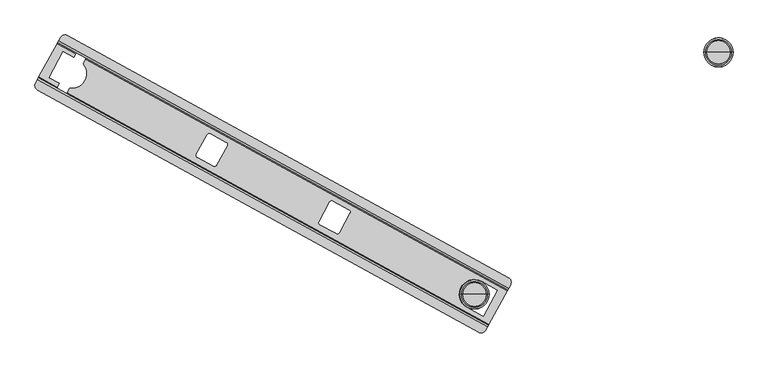
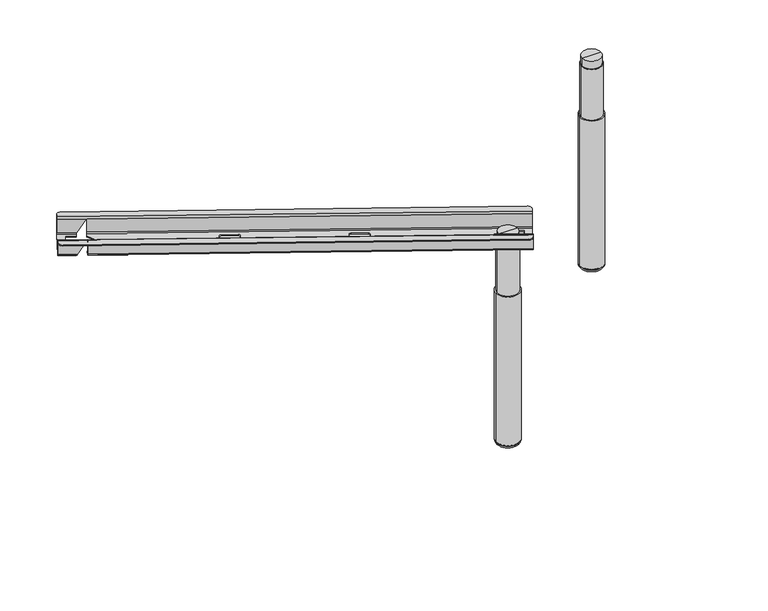
"""IFC4 building model written with IfcOpenShell, lengths in millimetres: furniture geometry."""

from ifc_helpers import new_model, si_unit, point, frame, origin, place, context, project, spatial, polyline, circle_curve, ellipse_curve, trimmed, source, transform, mapped, element, save
from ifc_brep_helpers import plane_surface, cylinder_surface, revolved_surface, advanced_brep


def furniture_7724859d(model_context):
    return source(origin(), model_context, "Body", "AdvancedBrep", [
        advanced_brep(
        [(96.5723967, -73.2350936, 695.6719265), (92.2647584, -81.0778887, 695.6719265), (91.2865282, -82.8589248, 693.6399265), (91.2865282, -82.8589248, 651.2602168), (88.596395, -87.7567741, 645.6722168), (44.2070674, -168.5751656, 645.6722168), (41.5169342, -173.4730148, 651.2602168), (41.5169342, -173.4730148, 693.6399265), (40.538704, -175.2540509, 695.6719265), (36.2310086, -183.0969499, 695.6719265), (36.2310086, -183.0969499, 698.6714043), (40.538704, -175.2540509, 698.6714043), (42.9556248, -170.8536317, 693.6399265), (42.9556248, -170.8536317, 651.2602168), (44.2070674, -168.5751656, 648.6513268), (88.596395, -87.7567741, 648.6513268), (89.8478376, -85.478308, 651.2602168), (89.8478376, -85.478308, 693.6399265), (92.2647584, -81.0778887, 698.6714043), (96.5723967, -73.2350936, 698.6714043), (1183.5381038, -680.4574253, 695.6719265), (1187.8457421, -672.6146302, 695.6719265), (1187.8457421, -672.6146302, 698.6714043), (1183.5381038, -680.4574253, 698.6714043), (1181.121183, -684.8578446, 693.6399265), (1181.121183, -684.8578446, 651.2602168), (1179.8697404, -687.1363107, 648.6513268), (1135.4804128, -767.9547022, 648.6513268), (1134.2289702, -770.2331683, 651.2602168), (1134.2289702, -770.2331683, 693.6399265), (1131.8120494, -774.6335875, 698.6714043), (1127.504354, -782.4764865, 698.6714043), (1127.504354, -782.4764865, 695.6719265), (1131.8120494, -774.6335875, 695.6719265), (1132.7902796, -772.8525514, 693.6399265), (1132.7902796, -772.8525514, 651.2602168), (1135.4804128, -767.9547022, 645.6722168), (1179.8697404, -687.1363107, 645.6722168), (1182.5598736, -682.2384614, 651.2602168), (1182.5598736, -682.2384614, 693.6399265), (1110.2589393, -787.4940231, 695.6719265), (41.2485452, -200.3423646, 695.6719265), (108.8129118, -212.7535127, 695.6719265), (106.7502022, -216.5090293, 695.6719265), (107.477067, -216.9082582, 695.6719265), (109.5397766, -213.1527416, 695.6719265), (113.8178115, -68.2175571, 695.6719265), (1182.8282057, -655.3692157, 695.6719265), (161.2658347, -118.9765814, 695.6719265), (163.3284872, -115.2211686, 695.6719265), (162.6016224, -114.8219397, 695.6719265), (160.5389699, -118.5773524, 695.6719265), (1110.2589393, -787.4940231, 698.6714043), (41.2485452, -200.3423646, 698.6714043), (1182.8282057, -655.3692157, 698.6714043), (113.8178115, -68.2175571, 698.6714043), (157.082876, -122.4070081, 693.6399265), (159.5095, -122.1742898, 697.0932388), (158.8489137, -123.3770005, 693.6399265), (158.8489137, -123.3770005, 651.2602168), (135.4097233, -110.5030756, 651.2602168), (157.597471, -125.6554666, 648.6513268), (133.3537484, -112.3396541, 648.6513268), (134.7557258, -110.4004757, 650.1931133), (151.6982602, -136.3959916, 648.6513268), (119.1072539, -195.7335083, 648.6513268), (113.2081403, -206.4738564, 648.6513268), (1117.2262157, -664.0752616, 648.6513268), (1156.1863795, -685.4740497, 648.6513268), (1121.3717691, -748.860019, 648.6513268), (1082.4116053, -727.4612309, 648.6513268), (474.6089476, -382.8094257, 648.6513268), (467.7107816, -384.8164401, 648.6513268), (428.4570156, -363.2563916, 648.6513268), (426.4500012, -356.3582256, 648.6513268), (452.7595604, -308.4571608, 648.6513268), (459.6577263, -306.4501464, 648.6513268), (498.9114924, -328.0101949, 648.6513268), (500.9185068, -334.9083608, 648.6513268), (771.9412607, -546.1185737, 648.6513268), (765.0430948, -548.125588, 648.6513268), (725.7893287, -526.5655395, 648.6513268), (723.7823143, -519.6673736, 648.6513268), (750.0918735, -471.7663087, 648.6513268), (756.9900395, -469.7592943, 648.6513268), (796.2438055, -491.3193428, 648.6513268), (798.2508199, -498.2175088, 648.6513268), (88.9644177, -193.1580439, 648.6513268), (93.7517293, -184.4419222, 648.6513268), (67.8903323, -170.2376069, 648.6513268), (102.7049379, -106.8516349, 648.6513268), (128.5663397, -121.0559529, 648.6513268), (111.9566976, -208.7523224, 651.2602168), (88.5175072, -195.8783976, 651.2602168), (88.0800628, -195.3815254, 650.1931133), (111.9566976, -208.7523224, 693.6399265), (110.1906599, -207.78233, 693.6399265), (111.2961113, -209.9550331, 697.0932388), (110.518007, -211.3717055, 693.6399265), (108.7519692, -210.4017131, 693.6399265), (110.518007, -211.3717055, 651.2602168), (87.0788166, -198.4977807, 651.2602168), (113.2081403, -206.4738564, 645.6722168), (88.4643309, -192.8833723, 645.6722168), (86.5826017, -198.1079103, 650.1931133), (119.1072539, -195.7335083, 645.6722168), (151.6982602, -136.3959916, 645.6722168), (157.597471, -125.6554666, 645.6722168), (1082.4116053, -727.4612309, 645.6722168), (1121.3717691, -748.860019, 645.6722168), (1156.1863795, -685.4740497, 645.6722168), (1117.2262157, -664.0752616, 645.6722168), (500.9185068, -334.9083608, 645.6722168), (498.9114924, -328.0101949, 645.6722168), (459.6577263, -306.4501464, 645.6722168), (452.7595604, -308.4571608, 645.6722168), (426.4500012, -356.3582256, 645.6722168), (428.4570156, -363.2563916, 645.6722168), (467.7107816, -384.8164401, 645.6722168), (474.6089476, -382.8094257, 645.6722168), (798.2508199, -498.2175088, 645.6722168), (796.2438055, -491.3193428, 645.6722168), (756.9900395, -469.7592943, 645.6722168), (750.0918735, -471.7663087, 645.6722168), (723.7823143, -519.6673736, 645.6722168), (725.7893287, -526.5655395, 645.6722168), (765.0430948, -548.125588, 645.6722168), (771.9412607, -546.1185737, 645.6722168), (132.8536616, -112.0649825, 645.6722168), (128.0662528, -120.7812813, 645.6722168), (102.7049379, -106.8516349, 645.6722168), (67.8903323, -170.2376069, 645.6722168), (93.2516424, -184.1672506, 645.6722168), (160.2876044, -120.7576174, 651.2602168), (136.848414, -107.8836925, 651.2602168), (136.2531869, -107.6740908, 650.1931133), (160.2876044, -120.7576174, 693.6399265), (158.5215667, -119.787625, 693.6399265), (107.477067, -216.9082582, 697.0932388), (163.3284872, -115.2211686, 697.0932388)],
        [
            (0, 1),
            (1, 2, circle_curve(frame((92.2647584, -81.0778887, 693.6399265), z_axis=(0.8764941434631136, -0.48141252214173136, 0.0), x_axis=(0.48141252214173136, 0.8764941434631136, 0.0)), 2.032)),
            (2, 3),
            (3, 4, circle_curve(frame((88.596395, -87.7567741, 651.2602168), z_axis=(-0.8764941434631136, 0.48141252214173136, 0.0), x_axis=(0.48141252214173136, 0.8764941434631136, 0.0)), 5.588)),
            (4, 5),
            (5, 6, circle_curve(frame((44.2070674, -168.5751656, 651.2602168), z_axis=(-0.8764941434631136, 0.48141252214173136, 0.0), x_axis=(0.48141252214173136, 0.8764941434631136, 0.0)), 5.588)),
            (6, 7),
            (7, 8, circle_curve(frame((40.538704, -175.2540509, 693.6399265), z_axis=(0.8764941434631136, -0.48141252214173136, 0.0), x_axis=(0.48141252214173136, 0.8764941434631136, 0.0)), 2.032)),
            (8, 9),
            (9, 10),
            (10, 11),
            (11, 12, circle_curve(frame((40.5334026, -175.263703, 693.6399265), z_axis=(-0.8764941434631136, 0.48141252214173136, 0.0), x_axis=(0.48141252214173136, 0.8764941434631136, 0.0)), 5.0314898)),
            (12, 13),
            (13, 14, circle_curve(frame((44.2070674, -168.5751656, 651.250866), z_axis=(0.8764941434631136, -0.48141252214173136, 0.0), x_axis=(0.48141252214173136, 0.8764941434631136, 0.0)), 2.5995392)),
            (14, 15),
            (15, 16, circle_curve(frame((88.596395, -87.7567741, 651.250866), z_axis=(0.8764941434631136, -0.48141252214173136, 0.0), x_axis=(0.48141252214173136, 0.8764941434631136, 0.0)), 2.5995392)),
            (16, 17),
            (17, 18, circle_curve(frame((92.2700598, -81.0682366, 693.6399265), z_axis=(-0.8764941434631136, 0.48141252214173136, 0.0), x_axis=(0.48141252214173136, 0.8764941434631136, 0.0)), 5.0314898)),
            (18, 19),
            (19, 0),
            (20, 21),
            (21, 22),
            (22, 23),
            (23, 24, circle_curve(frame((1183.5434052, -680.4477732, 693.6399265), z_axis=(0.8764941434631136, -0.48141252214173136, 0.0), x_axis=(0.48141252214173136, 0.8764941434631136, 0.0)), 5.0314898)),
            (24, 25),
            (25, 26, circle_curve(frame((1179.8697404, -687.1363107, 651.250866), z_axis=(-0.8764941434631136, 0.48141252214173136, 0.0), x_axis=(0.48141252214173136, 0.8764941434631136, 0.0)), 2.5995392)),
            (26, 27),
            (27, 28, circle_curve(frame((1135.4804128, -767.9547022, 651.250866), z_axis=(-0.8764941434631136, 0.48141252214173136, 0.0), x_axis=(0.48141252214173136, 0.8764941434631136, 0.0)), 2.5995392)),
            (28, 29),
            (29, 30, circle_curve(frame((1131.806748, -774.6432396, 693.6399265), z_axis=(0.8764941434631136, -0.48141252214173136, 0.0), x_axis=(0.48141252214173136, 0.8764941434631136, 0.0)), 5.0314898)),
            (30, 31),
            (31, 32),
            (32, 33),
            (33, 34, circle_curve(frame((1131.8120494, -774.6335875, 693.6399265), z_axis=(-0.8764941434631136, 0.48141252214173136, 0.0), x_axis=(0.48141252214173136, 0.8764941434631136, 0.0)), 2.032)),
            (34, 35),
            (35, 36, circle_curve(frame((1135.4804128, -767.9547022, 651.2602168), z_axis=(0.8764941434631136, -0.48141252214173136, 0.0), x_axis=(0.48141252214173136, 0.8764941434631136, 0.0)), 5.588)),
            (36, 37),
            (37, 38, circle_curve(frame((1179.8697404, -687.1363107, 651.2602168), z_axis=(0.8764941434631136, -0.48141252214173136, 0.0), x_axis=(0.48141252214173136, 0.8764941434631136, 0.0)), 5.588)),
            (38, 39),
            (39, 20, circle_curve(frame((1183.5381038, -680.4574253, 693.6399265), z_axis=(-0.8764941434631136, 0.48141252214173136, 0.0), x_axis=(0.48141252214173136, 0.8764941434631136, 0.0)), 2.032)),
            (40, 41),
            (41, 9, circle_curve(frame((47.3624842, -189.2108889, 695.6719265), z_axis=(0.0, 0.0, -1.0), x_axis=(1.0, 0.0, 0.0)), 12.7)),
            (8, 42),
            (42, 43),
            (43, 44),
            (44, 45),
            (45, 33),
            (32, 40, circle_curve(frame((1116.3728783, -776.3625475, 695.6719265), z_axis=(0.0, 0.0, -1.0), x_axis=(1.0, 0.0, 0.0)), 12.7)),
            (0, 46, circle_curve(frame((107.7038725, -79.3490327, 695.6719265), z_axis=(0.0, 0.0, -1.0), x_axis=(1.0, 0.0, 0.0)), 12.7)),
            (46, 47),
            (47, 21, circle_curve(frame((1176.7142666, -666.5006913, 695.6719265), z_axis=(0.0, 0.0, -1.0), x_axis=(1.0, 0.0, 0.0)), 12.7)),
            (20, 48),
            (48, 49),
            (49, 50),
            (50, 51),
            (51, 1),
            (52, 31, circle_curve(frame((1116.3728783, -776.3625475, 698.6714043), z_axis=(0.0, 0.0, 1.0), x_axis=(1.0, 0.0, 0.0)), 12.7)),
            (30, 11),
            (10, 53, circle_curve(frame((47.3624842, -189.2108889, 698.6714043), z_axis=(0.0, 0.0, 1.0), x_axis=(1.0, 0.0, 0.0)), 12.7)),
            (53, 52),
            (18, 23),
            (22, 54, circle_curve(frame((1176.7142666, -666.5006913, 698.6714043), z_axis=(0.0, 0.0, 1.0), x_axis=(1.0, 0.0, 0.0)), 12.7)),
            (54, 55),
            (55, 19, circle_curve(frame((107.7038725, -79.3490327, 698.6714043), z_axis=(0.0, 0.0, 1.0), x_axis=(1.0, 0.0, 0.0)), 12.7)),
            (17, 56),
            (56, 57, ellipse_curve(frame((159.5050984, -117.9969368, 693.6399265), z_axis=(-0.75705361876778, 0.4158101086233365, 0.5039561209840178), x_axis=(-0.4417146158276256, 0.24261073768799962, -0.8637292562619017)), 5.825309, 5.0314898)),
            (57, 58, circle_curve(frame((161.271136, -118.9669292, 693.6399265), z_axis=(0.8764941434631136, -0.48141252214173136, 0.0), x_axis=(0.48141252214173136, 0.8764941434631136, 0.0)), 5.0314898)),
            (58, 24),
            (58, 59),
            (59, 25),
            (16, 60),
            (60, 56),
            (59, 61, circle_curve(frame((157.5974711, -125.6554666, 651.250866), z_axis=(-0.8764941434631136, 0.48141252214173136, 0.0), x_axis=(0.48141252214173136, 0.8764941434631136, 0.0)), 2.5995392)),
            (61, 26),
            (15, 62),
            (62, 63, ellipse_curve(frame((133.7901188, -112.5793296, 651.250866), z_axis=(0.8608486845247368, -0.47281933029143225, -0.18809950360059896), x_axis=(0.16486820759981685, -0.09055328474249279, 0.9821499767068004)), 2.6467843, 2.5995392)),
            (63, 60, ellipse_curve(frame((134.1534986, -112.7789152, 651.250866), z_axis=(0.75705361876778, -0.4158101086233365, -0.5039561209840178), x_axis=(0.4417146158276256, -0.24261073768799962, 0.8637292562619017)), 3.009669, 2.5995392)),
            (61, 64),
            (64, 65, circle_curve(frame((124.2578006, -159.943406, 648.6513268), z_axis=(0.0, 0.0, -1.0), x_axis=(-0.5364839670502666, 0.8439105124940727, 0.0)), 36.1588101)),
            (65, 66),
            (66, 27),
            (67, 68),
            (68, 69),
            (69, 70),
            (70, 67, circle_curve(frame((1099.8189105, -695.7682463, 648.6513268), z_axis=(0.0, 0.0, -1.0), x_axis=(1.0, 0.0, 0.0)), 36.1588101)),
            (71, 72, circle_curve(frame((470.1563574, -380.3638499, 648.6513268), z_axis=(0.0, 0.0, -1.0), x_axis=(1.0, 0.0, 0.0)), 5.08)),
            (72, 73),
            (73, 74, circle_curve(frame((430.9025913, -358.8038014, 648.6513268), z_axis=(0.0, 0.0, -1.0), x_axis=(1.0, 0.0, 0.0)), 5.08)),
            (74, 75),
            (75, 76, circle_curve(frame((457.2121505, -310.9027365, 648.6513268), z_axis=(0.0, 0.0, -1.0), x_axis=(1.0, 0.0, 0.0)), 5.08)),
            (76, 77),
            (77, 78, circle_curve(frame((496.4659166, -332.4627851, 648.6513268), z_axis=(0.0, 0.0, -1.0), x_axis=(1.0, 0.0, 0.0)), 5.08)),
            (78, 71),
            (79, 80, circle_curve(frame((767.4886706, -543.6729979, 648.6513268), z_axis=(0.0, 0.0, -1.0), x_axis=(1.0, 0.0, 0.0)), 5.08)),
            (80, 81),
            (81, 82, circle_curve(frame((728.2349045, -522.1129494, 648.6513268), z_axis=(0.0, 0.0, -1.0), x_axis=(1.0, 0.0, 0.0)), 5.08)),
            (82, 83),
            (83, 84, circle_curve(frame((754.5444637, -474.2118845, 648.6513268), z_axis=(0.0, 0.0, -1.0), x_axis=(1.0, 0.0, 0.0)), 5.08)),
            (84, 85),
            (85, 86, circle_curve(frame((793.7982298, -495.771933, 648.6513268), z_axis=(0.0, 0.0, -1.0), x_axis=(1.0, 0.0, 0.0)), 5.08)),
            (86, 79),
            (14, 87),
            (87, 88),
            (88, 89),
            (89, 90),
            (90, 91),
            (91, 62),
            (66, 92, circle_curve(frame((113.2081403, -206.4738564, 651.250866), z_axis=(-0.8764941434631136, 0.48141252214173136, 0.0), x_axis=(0.48141252214173136, 0.8764941434631136, 0.0)), 2.5995392)),
            (92, 28),
            (13, 93),
            (93, 94, ellipse_curve(frame((89.7641679, -193.597305, 651.250866), z_axis=(0.75705361876778, -0.4158101086233365, -0.5039561209840178), x_axis=(0.4417146158276256, -0.24261073768799962, 0.8637292562619017)), 3.009669, 2.5995392)),
            (94, 87, ellipse_curve(frame((89.4007881, -193.3977194, 651.250866), z_axis=(0.8608486845247368, -0.47281933029143225, -0.18809950360059896), x_axis=(0.16486820759981685, -0.09055328474249279, 0.9821499767068004)), 2.6467843, 2.5995392)),
            (92, 95),
            (95, 29),
            (12, 96),
            (96, 93),
            (95, 97, circle_curve(frame((109.5344754, -213.1623938, 693.6399265), z_axis=(0.8764941434631136, -0.48141252214173136, 0.0), x_axis=(0.48141252214173136, 0.8764941434631136, 0.0)), 5.0314898)),
            (97, 96, ellipse_curve(frame((107.7684375, -212.1924013, 693.6399265), z_axis=(-0.75705361876778, 0.4158101086233365, 0.5039561209840178), x_axis=(-0.4417146158276256, 0.24261073768799962, -0.8637292562619017)), 5.825309, 5.0314898)),
            (45, 98, circle_curve(frame((109.5397766, -213.1527416, 693.6399265), z_axis=(-0.8764941434631136, 0.48141252214173136, 0.0), x_axis=(0.48141252214173136, 0.8764941434631136, 0.0)), 2.032)),
            (98, 34),
            (7, 99),
            (99, 42, ellipse_curve(frame((107.7737389, -212.1827492, 693.6399265), z_axis=(0.75705361876778, -0.4158101086233365, -0.5039561209840178), x_axis=(0.4417146158276256, -0.24261073768799962, 0.8637292562619017)), 2.3525891, 2.032)),
            (98, 100),
            (100, 35),
            (6, 101),
            (101, 99),
            (100, 102, circle_curve(frame((113.2081401, -206.4738563, 651.2602168), z_axis=(0.8764941434631136, -0.48141252214173136, 0.0), x_axis=(0.48141252214173136, 0.8764941434631136, 0.0)), 5.588)),
            (102, 36),
            (5, 103),
            (103, 104, ellipse_curve(frame((89.4023577, -193.3985815, 651.2602168), z_axis=(-0.8608486845247368, 0.47281933029143225, 0.18809950360059896), x_axis=(-0.16486820759981685, 0.09055328474249279, -0.9821499767068004)), 5.6895588, 5.588)),
            (104, 101, ellipse_curve(frame((89.7689499, -193.5999315, 651.2602168), z_axis=(-0.75705361876778, 0.4158101086233365, 0.5039561209840178), x_axis=(-0.4417146158276256, 0.24261073768799962, -0.8637292562619017)), 6.4696199, 5.588)),
            (102, 105),
            (105, 106, circle_curve(frame((124.2578006, -159.943406, 645.6722168), z_axis=(0.0, 0.0, 1.0), x_axis=(-0.5364839670502666, 0.8439105124940727, 0.0)), 36.1588101)),
            (106, 107),
            (107, 37),
            (108, 109),
            (109, 110),
            (110, 111),
            (111, 108, circle_curve(frame((1099.8189105, -695.7682463, 645.6722168), z_axis=(0.0, 0.0, 1.0), x_axis=(1.0, 0.0, 0.0)), 36.1588101)),
            (112, 113, circle_curve(frame((496.4659166, -332.4627851, 645.6722168), z_axis=(0.0, 0.0, 1.0), x_axis=(1.0, 0.0, 0.0)), 5.08)),
            (113, 114),
            (114, 115, circle_curve(frame((457.2121505, -310.9027365, 645.6722168), z_axis=(0.0, 0.0, 1.0), x_axis=(1.0, 0.0, 0.0)), 5.08)),
            (115, 116),
            (116, 117, circle_curve(frame((430.9025913, -358.8038014, 645.6722168), z_axis=(0.0, 0.0, 1.0), x_axis=(1.0, 0.0, 0.0)), 5.08)),
            (117, 118),
            (118, 119, circle_curve(frame((470.1563574, -380.3638499, 645.6722168), z_axis=(0.0, 0.0, 1.0), x_axis=(1.0, 0.0, 0.0)), 5.08)),
            (119, 112),
            (120, 121, circle_curve(frame((793.7982298, -495.771933, 645.6722168), z_axis=(0.0, 0.0, 1.0), x_axis=(1.0, 0.0, 0.0)), 5.08)),
            (121, 122),
            (122, 123, circle_curve(frame((754.5444637, -474.2118845, 645.6722168), z_axis=(0.0, 0.0, 1.0), x_axis=(1.0, 0.0, 0.0)), 5.08)),
            (123, 124),
            (124, 125, circle_curve(frame((728.2349045, -522.1129494, 645.6722168), z_axis=(0.0, 0.0, 1.0), x_axis=(1.0, 0.0, 0.0)), 5.08)),
            (125, 126),
            (126, 127, circle_curve(frame((767.4886706, -543.6729979, 645.6722168), z_axis=(0.0, 0.0, 1.0), x_axis=(1.0, 0.0, 0.0)), 5.08)),
            (127, 120),
            (4, 128),
            (128, 129),
            (129, 130),
            (130, 131),
            (131, 132),
            (132, 103),
            (107, 133, circle_curve(frame((157.597471, -125.6554666, 651.2602168), z_axis=(0.8764941434631136, -0.48141252214173136, 0.0), x_axis=(0.48141252214173136, 0.8764941434631136, 0.0)), 5.588)),
            (133, 38),
            (3, 134),
            (134, 135, ellipse_curve(frame((134.1582806, -112.7815417, 651.2602168), z_axis=(-0.75705361876778, 0.4158101086233365, 0.5039561209840178), x_axis=(-0.4417146158276256, 0.24261073768799962, -0.8637292562619017)), 6.4696199, 5.588)),
            (135, 128, ellipse_curve(frame((133.7916884, -112.5801917, 651.2602168), z_axis=(-0.8608486845247368, 0.47281933029143225, 0.18809950360059896), x_axis=(-0.16486820759981685, 0.09055328474249279, -0.9821499767068004)), 5.6895588, 5.588)),
            (133, 136),
            (136, 39),
            (2, 137),
            (137, 134),
            (51, 137, ellipse_curve(frame((159.499797, -118.0065889, 693.6399265), z_axis=(0.75705361876778, -0.4158101086233365, -0.5039561209840178), x_axis=(0.4417146158276256, -0.24261073768799962, 0.8637292562619017)), 2.3525891, 2.032)),
            (136, 48, circle_curve(frame((161.2658346, -118.9765813, 693.6399265), z_axis=(-0.8764941434631136, 0.48141252214173136, 0.0), x_axis=(0.48141252214173136, 0.8764941434631136, 0.0)), 2.032)),
            (97, 138),
            (138, 43),
            (104, 94),
            (50, 139),
            (139, 57),
            (63, 135),
            (65, 105),
            (44, 138),
            (139, 49),
            (106, 64),
            (91, 129),
            (132, 88),
            (90, 130),
            (89, 131),
            (111, 67),
            (70, 108),
            (110, 68),
            (109, 69),
            (119, 71),
            (78, 112),
            (118, 72),
            (117, 73),
            (116, 74),
            (115, 75),
            (114, 76),
            (113, 77),
            (127, 79),
            (86, 120),
            (126, 80),
            (125, 81),
            (124, 82),
            (123, 83),
            (122, 84),
            (121, 85),
            (53, 41),
            (40, 52),
            (47, 54),
            (55, 46),
        ],
        [
            plane_surface(frame((94.3274108, -77.3224759, 695.6719265), z_axis=(-0.8764941434631136, 0.48141252214173136, 0.0), x_axis=(0.48141252214173136, 0.8764941434631136, 0.0))),
            plane_surface(frame((1185.6007562, -676.7020125, 695.6719265), z_axis=(0.8764941434631136, -0.48141252214173136, 0.0), x_axis=(-0.48141252214173136, -0.8764941434631136, 0.0))),
            plane_surface(frame((92.2647584, -81.0778887, 695.6719265), z_axis=(0.0, 0.0, -1.0000000000000002), x_axis=(0.8764941434631136, -0.48141252214173136, 0.0))),
            plane_surface(frame((94.3274108, -77.3224759, 698.6714043), z_axis=(3.3307191580609866e-12, 6.064146031293652e-12, 1.0000000000000002), x_axis=(0.8764941434631136, -0.48141252214173136, 0.0))),
            cylinder_surface(frame((1183.5434052, -680.4477732, 693.6399265), z_axis=(-0.8764941434631136, 0.48141252214173136, 0.0), x_axis=(0.48141252214173136, 0.8764941434631136, 0.0)), 5.0314898),
            plane_surface(frame((89.8478376, -85.478308, 693.6399265), z_axis=(-0.48141252214173136, -0.8764941434631136, 0.0), x_axis=(0.8764941434631136, -0.48141252214173136, 0.0))),
            revolved_surface(polyline([(1181.1211911226783, -684.8578298154972, 651.250866), (158.84892172606249, -123.37698570933549, 651.250866)]), (1179.8697404, -687.1363107, 651.250866), (0.8764941434631136, -0.48141252214173136, 0.0)),
            revolved_surface(polyline([(136.73436402638458, -111.23061248180136, 651.250866), (89.84784572740477, -85.47829320266385, 651.250866)]), (1179.8697404, -687.1363107, 651.250866), (0.8764941434631136, -0.48141252214173136, 0.0)),
            plane_surface(frame((88.596395, -87.7567741, 648.6513268), z_axis=(0.0, 0.0, 1.0000000000000002), x_axis=(0.8764941434631136, -0.48141252214173136, 0.0))),
            revolved_surface(polyline([(1136.7318635244621, -765.676221316477, 651.250866), (114.45959090995234, -204.19537544289392, 651.250866)]), (1135.4804128, -767.9547022, 651.250866), (0.8764941434631136, -0.48141252214173136, 0.0)),
            revolved_surface(polyline([(92.34503332751069, -192.04900227975156, 651.250866), (45.45851812918863, -166.29668470364356, 651.250866)]), (1135.4804128, -767.9547022, 651.250866), (0.8764941434631136, -0.48141252214173136, 0.0)),
            plane_surface(frame((42.9556248, -170.8536317, 651.2602168), z_axis=(0.48141252214173136, 0.8764941434631136, 0.0), x_axis=(0.8764941434631136, -0.48141252214173136, 0.0))),
            cylinder_surface(frame((1131.806748, -774.6432396, 693.6399265), z_axis=(-0.8764941434631136, 0.48141252214173136, 0.0), x_axis=(0.48141252214173136, 0.8764941434631136, 0.0)), 5.0314898),
            revolved_surface(polyline([(1132.7902796449919, -772.852551400483, 693.6399265), (110.51800687683374, -211.37170544250887, 693.6399265)]), (1131.8120494, -774.6335875, 693.6399265), (0.8764941434631136, -0.48141252214173136, 0.0)),
            revolved_surface(polyline([(109.79114210596879, -210.97247653127454, 693.6399265), (41.516934216733716, -173.47301476953282, 693.6399265)]), (1131.8120494, -774.6335875, 693.6399265), (0.8764941434631136, -0.48141252214173136, 0.0)),
            plane_surface(frame((41.5169342, -173.4730148, 693.6399265), z_axis=(-0.48141252214173136, -0.8764941434631136, 0.0), x_axis=(0.8764941434631136, -0.48141252214173136, 0.0))),
            cylinder_surface(frame((1135.4804128, -767.9547022, 651.2602168), z_axis=(-0.8764941434631136, 0.48141252214173136, 0.0), x_axis=(0.48141252214173136, 0.8764941434631136, 0.0)), 5.588),
            plane_surface(frame((44.2070674, -168.5751656, 645.6722168), z_axis=(0.0, 0.0, -1.0000000000000002), x_axis=(0.8764941434631136, -0.48141252214173136, 0.0))),
            cylinder_surface(frame((1179.8697404, -687.1363107, 651.2602168), z_axis=(-0.8764941434631136, 0.48141252214173136, 0.0), x_axis=(0.48141252214173136, 0.8764941434631136, 0.0)), 5.588),
            plane_surface(frame((91.2865282, -82.8589248, 651.2602168), z_axis=(0.48141252214173136, 0.8764941434631136, 0.0), x_axis=(0.8764941434631136, -0.48141252214173136, 0.0))),
            revolved_surface(polyline([(161.51720015017918, -116.79631633284919, 693.6399265), (93.24298865150263, -79.29685258862946, 693.6399265)]), (1183.5381038, -680.4574253, 693.6399265), (0.8764941434631136, -0.48141252214173136, 0.0)),
            revolved_surface(polyline([(1184.5163340797603, -678.6763892195795, 693.6399265), (162.24406484422002, -117.19554520188808, 693.6399265)]), (1183.5381038, -680.4574253, 693.6399265), (0.8764941434631136, -0.48141252214173136, 0.0)),
            plane_surface(frame((75.1332293, -218.9534563, 650.1931133), z_axis=(0.75705361876778, -0.4158101086233365, -0.5039561209840178), x_axis=(0.4814125556229307, 0.876494125073636, 0.0))),
            plane_surface(frame((99.1181402, -232.1271182, 697.0932388), z_axis=(-0.8764941250736361, 0.48141255562293056, 0.0), x_axis=(0.48141255562293056, 0.8764941250736361, 0.0))),
            plane_surface(frame((73.9456091, -218.3011584, 643.1182388), z_axis=(0.8608486845247368, -0.47281933029143225, -0.18809950360059896), x_axis=(0.48141255562293056, 0.8764941250736361, 0.0))),
            revolved_surface(polyline([(104.85917871373475, -129.42860603733317, 648.6513268), (104.85917871373475, -129.42860603733317, 645.6722168)]), (124.2578006, -159.943406, 485.9002831), (0.0, 0.0, 1.0)),
            plane_surface(frame((102.7049379, -106.8516349, 672.2060139), z_axis=(-0.48141248866053876, -0.8764941618525858, 0.0), x_axis=(0.0, 0.0, -1.0))),
            plane_surface(frame((67.8903323, -170.2376069, 672.2060139), z_axis=(0.8764941618525844, -0.48141248866054115, 0.0), x_axis=(0.0, 0.0, -1.0))),
            plane_surface(frame((106.8504978, -191.636392, 672.2060139), z_axis=(0.48141248866053765, 0.8764941618525864, 0.0), x_axis=(0.0, 0.0, -1.0))),
            revolved_surface(polyline([(1135.9777205999999, -695.7682463, 648.6513268), (1135.9777205999999, -695.7682463, 645.6722168)]), (1099.8189105, -695.7682463, 485.9002831), (0.0, 0.0, 1.0)),
            plane_surface(frame((1117.2262157, -664.0752616, 672.2060139), z_axis=(-0.4814125556229308, -0.876494125073636, 0.0), x_axis=(0.0, 0.0, -1.0))),
            plane_surface(frame((1156.1863795, -685.4740497, 672.2060139), z_axis=(-0.8764941250736371, 0.4814125556229287, 0.0), x_axis=(0.0, 0.0, -1.0))),
            plane_surface(frame((1121.3717691, -748.860019, 672.2060139), z_axis=(0.4814125556229308, 0.876494125073636, 0.0), x_axis=(0.0, 0.0, -1.0))),
            plane_surface(frame((500.9185068, -334.9083608, 672.2060139), z_axis=(-0.8764941250736367, 0.48141255562292967, 0.0), x_axis=(0.0, 0.0, -1.0))),
            revolved_surface(polyline([(475.2363574, -380.3638499, 648.6513268), (475.2363574, -380.3638499, 645.6722168)]), (470.1563574, -380.3638499, 0.0), (0.0, 0.0, 1.0)),
            plane_surface(frame((467.7107816, -384.8164401, 672.2060139), z_axis=(0.48141255562293184, 0.8764941250736354, 0.0), x_axis=(0.0, 0.0, -1.0))),
            revolved_surface(polyline([(435.98259129999997, -358.8038014, 648.6513268), (435.98259129999997, -358.8038014, 645.6722168)]), (430.9025913, -358.8038014, 0.0), (0.0, 0.0, 1.0)),
            plane_surface(frame((426.4500012, -356.3582256, 672.2060139), z_axis=(0.8764941250736371, -0.4814125556229287, 0.0), x_axis=(0.0, 0.0, -1.0))),
            revolved_surface(polyline([(462.2921505, -310.9027365, 648.6513268), (462.2921505, -310.9027365, 645.6722168)]), (457.2121505, -310.9027365, 0.0), (0.0, 0.0, 1.0)),
            plane_surface(frame((459.6577263, -306.4501464, 672.2060139), z_axis=(-0.48141255562292995, -0.8764941250736364, 0.0), x_axis=(0.0, 0.0, -1.0))),
            revolved_surface(polyline([(501.5459166, -332.4627851, 648.6513268), (501.5459166, -332.4627851, 645.6722168)]), (496.4659166, -332.4627851, 0.0), (0.0, 0.0, 1.0)),
            plane_surface(frame((798.2508199, -498.2175088, 672.2060139), z_axis=(-0.8764941250736377, 0.48141255562292773, 0.0), x_axis=(0.0, 0.0, -1.0))),
            revolved_surface(polyline([(772.5686706, -543.6729979, 648.6513268), (772.5686706, -543.6729979, 645.6722168)]), (767.4886706, -543.6729979, 0.0), (0.0, 0.0, 1.0)),
            plane_surface(frame((765.0430948, -548.125588, 672.2060139), z_axis=(0.48141255562293184, 0.8764941250736354, 0.0), x_axis=(0.0, 0.0, -1.0))),
            revolved_surface(polyline([(733.3149045, -522.1129494, 648.6513268), (733.3149045, -522.1129494, 645.6722168)]), (728.2349045, -522.1129494, 0.0), (0.0, 0.0, 1.0)),
            plane_surface(frame((723.7823143, -519.6673736, 672.2060139), z_axis=(0.8764941250736377, -0.48141255562292773, 0.0), x_axis=(0.0, 0.0, -1.0))),
            revolved_surface(polyline([(759.6244637000001, -474.2118845, 648.6513268), (759.6244637000001, -474.2118845, 645.6722168)]), (754.5444637, -474.2118845, 0.0), (0.0, 0.0, 1.0)),
            plane_surface(frame((756.9900395, -469.7592943, 672.2060139), z_axis=(-0.48141255562293067, -0.8764941250736361, 0.0), x_axis=(0.0, 0.0, -1.0))),
            revolved_surface(polyline([(798.8782298, -495.771933, 648.6513268), (798.8782298, -495.771933, 645.6722168)]), (793.7982298, -495.771933, 0.0), (0.0, 0.0, 1.0)),
            plane_surface(frame((1110.2589393, -787.4940231, 698.6714043), z_axis=(-0.4814125221417314, -0.8764941434631135, 0.0), x_axis=(0.0, 0.0, -1.0))),
            cylinder_surface(frame((47.3624842, -189.2108889, 695.6719265), z_axis=(0.0, 0.0, 1.0), x_axis=(1.0, 0.0, 0.0)), 12.7),
            plane_surface(frame((38.4759945, -179.0095676, 698.6714043), z_axis=(0.48141252214173264, 0.8764941434631128, 0.0), x_axis=(0.0, 0.0, -1.0))),
            cylinder_surface(frame((1116.3728783, -776.3625475, 695.6719265), z_axis=(0.0, 0.0, 1.0), x_axis=(1.0, 0.0, 0.0)), 12.7),
            cylinder_surface(frame((1176.7142666, -666.5006913, 0.0), z_axis=(0.0, 0.0, 1.0), x_axis=(1.0, 0.0, 0.0)), 12.7),
            plane_surface(frame((1185.6007564, -676.7020126, 698.6714043), z_axis=(-0.48141252214173563, -0.8764941434631112, 0.0), x_axis=(0.0, 0.0, -1.0))),
            cylinder_surface(frame((107.7038725, -79.3490327, 0.0), z_axis=(0.0, 0.0, 1.0), x_axis=(1.0, 0.0, 0.0)), 12.7),
            plane_surface(frame((113.8178115, -68.2175571, 698.6714043), z_axis=(0.48141252214173685, 0.8764941434631106, 0.0), x_axis=(0.0, 0.0, -1.0))),
        ],
        [
            (0, [[1, 2, 3, 4, 5, 6, 7, 8, 9, 10, 11, 12, 13, 14, 15, 16, 17, 18, 19, 20]]),
            (1, [[21, 22, 23, 24, 25, 26, 27, 28, 29, 30, 31, 32, 33, 34, 35, 36, 37, 38, 39, 40]]),
            (2, [[41, 42, -9, 43, 44, 45, 46, 47, -33, 48]]),
            (2, [[49, 50, 51, -21, 52, 53, 54, 55, 56, -1]]),
            (3, [[57, -31, 58, -11, 59, 60]]),
            (3, [[61, -23, 62, 63, 64, -19]]),
            (4, [[65, 66, 67, 68, -24, -61, -18]]),
            (5, [[-68, 69, 70, -25]]),
            (5, [[71, 72, -65, -17]]),
            (6, [[-70, 73, 74, -26]]),
            (7, [[75, 76, 77, -71, -16]]),
            (8, [[-74, 78, 79, 80, 81, -27], [82, 83, 84, 85], [86, 87, 88, 89, 90, 91, 92, 93], [94, 95, 96, 97, 98, 99, 100, 101]]),
            (8, [[102, 103, 104, 105, 106, 107, -75, -15]]),
            (9, [[-81, 108, 109, -28]]),
            (10, [[110, 111, 112, -102, -14]]),
            (11, [[-109, 113, 114, -29]]),
            (11, [[115, 116, -110, -13]]),
            (12, [[-58, -30, -114, 117, 118, -115, -12]]),
            (13, [[-47, 119, 120, -34]]),
            (14, [[121, 122, -43, -8]]),
            (15, [[-120, 123, 124, -35]]),
            (15, [[125, 126, -121, -7]]),
            (16, [[-124, 127, 128, -36]]),
            (16, [[129, 130, 131, -125, -6]]),
            (17, [[-128, 132, 133, 134, 135, -37], [136, 137, 138, 139], [140, 141, 142, 143, 144, 145, 146, 147], [148, 149, 150, 151, 152, 153, 154, 155]]),
            (17, [[156, 157, 158, 159, 160, 161, -129, -5]]),
            (18, [[-135, 162, 163, -38]]),
            (18, [[164, 165, 166, -156, -4]]),
            (19, [[-163, 167, 168, -39]]),
            (19, [[169, 170, -164, -3]]),
            (20, [[-56, 171, -169, -2]]),
            (21, [[-168, 172, -52, -40]]),
            (22, [[-111, -116, -118, 173, 174, -44, -122, -126, -131, 175]]),
            (22, [[-165, -170, -171, -55, 176, 177, -66, -72, -77, 178]]),
            (23, [[-117, -113, -108, -80, 179, -132, -127, -123, -119, -46, 180, -173]]),
            (23, [[181, -53, -172, -167, -162, -134, 182, -78, -73, -69, -67, -177]]),
            (24, [[-76, -107, 183, -157, -166, -178]]),
            (24, [[-130, -161, 184, -103, -112, -175]]),
            (25, [[-182, -133, -179, -79]]),
            (26, [[-158, -183, -106, 185]]),
            (27, [[-105, 186, -159, -185]]),
            (28, [[-104, -184, -160, -186]]),
            (29, [[-139, 187, -85, 188]]),
            (30, [[-138, 189, -82, -187]]),
            (31, [[-137, 190, -83, -189]]),
            (32, [[-84, -190, -136, -188]]),
            (33, [[-147, 191, -93, 192]]),
            (34, [[-146, 193, -86, -191]]),
            (35, [[-145, 194, -87, -193]]),
            (36, [[-144, 195, -88, -194]]),
            (37, [[-143, 196, -89, -195]]),
            (38, [[-142, 197, -90, -196]]),
            (39, [[-141, 198, -91, -197]]),
            (40, [[-92, -198, -140, -192]]),
            (41, [[-155, 199, -101, 200]]),
            (42, [[-154, 201, -94, -199]]),
            (43, [[-153, 202, -95, -201]]),
            (44, [[-152, 203, -96, -202]]),
            (45, [[-151, 204, -97, -203]]),
            (46, [[-150, 205, -98, -204]]),
            (47, [[-149, 206, -99, -205]]),
            (48, [[-100, -206, -148, -200]]),
            (49, [[207, -41, 208, -60]]),
            (50, [[-10, -42, -207, -59]]),
            (51, [[-174, -180, -45]]),
            (52, [[-208, -48, -32, -57]]),
            (53, [[-22, -51, 209, -62]]),
            (54, [[-181, -176, -54]]),
            (55, [[210, -49, -20, -64]]),
            (56, [[-209, -50, -210, -63]]),
        ],
    ),
        advanced_brep(
        [(1128.5362753, -695.9308102, 672.2060139), (1100.3807385, -695.9308102, 672.2060139), (1072.2252018, -695.9308102, 672.2060139), (1128.5362753, -695.9308102, 647.7686974), (1072.2252018, -695.9308102, 647.7686974), (1131.6366674, -695.9308102, 647.7686974), (1069.1248096, -695.9308102, 647.7686974), (1131.6366674, -695.9308102, 485.9002831), (1069.1248096, -695.9308102, 485.9002831), (1135.6738362, -695.9308102, 485.9002831), (1065.0876409, -695.9308102, 485.9002831), (1135.6738362, -695.9308102, 10.2163535), (1065.0876409, -695.9308102, 10.2163535), (1134.4059054, -695.9308102, 9.4693355), (1066.3555717, -695.9308102, 9.4693355), (1135.2511663, -695.9308102, 8.8323857), (1065.5103108, -695.9308102, 8.8323857), (1127.0907071, -695.9308102, 0.0), (1073.67077, -695.9308102, 0.0), (1100.3807385, -695.9308102, 0.0)],
        [
            (0, 1),
            (1, 2),
            (2, 0, circle_curve(frame((1100.3807385, -695.9308102, 672.2060139), z_axis=(0.0, 0.0, 1.0), x_axis=(-1.0, 0.0, 0.0)), 28.1555368)),
            (0, 2, circle_curve(frame((1100.3807385, -695.9308102, 672.2060139), z_axis=(0.0, 0.0, 1.0), x_axis=(-1.0, 0.0, 0.0)), 28.1555368)),
            (3, 0),
            (2, 4),
            (4, 3, circle_curve(frame((1100.3807385, -695.9308102, 647.7686974), z_axis=(0.0, 0.0, 1.0), x_axis=(-1.0, 0.0, 0.0)), 28.1555368)),
            (3, 4, circle_curve(frame((1100.3807385, -695.9308102, 647.7686974), z_axis=(0.0, 0.0, 1.0), x_axis=(-1.0, 0.0, 0.0)), 28.1555368)),
            (5, 3),
            (4, 6),
            (6, 5, circle_curve(frame((1100.3807385, -695.9308102, 647.7686974), z_axis=(0.0, 0.0, 1.0), x_axis=(-1.0, 0.0, 0.0)), 31.2559289)),
            (5, 6, circle_curve(frame((1100.3807385, -695.9308102, 647.7686974), z_axis=(0.0, 0.0, 1.0), x_axis=(-1.0, 0.0, 0.0)), 31.2559289)),
            (7, 5),
            (6, 8),
            (8, 7, circle_curve(frame((1100.3807385, -695.9308102, 485.9002831), z_axis=(0.0, 0.0, 1.0), x_axis=(-1.0, 0.0, 0.0)), 31.2559289)),
            (7, 8, circle_curve(frame((1100.3807385, -695.9308102, 485.9002831), z_axis=(0.0, 0.0, 1.0), x_axis=(-1.0, 0.0, 0.0)), 31.2559289)),
            (9, 7),
            (8, 10),
            (10, 9, circle_curve(frame((1100.3807385, -695.9308102, 485.9002831), z_axis=(0.0, 0.0, 1.0), x_axis=(-1.0, 0.0, 0.0)), 35.2930977)),
            (9, 10, circle_curve(frame((1100.3807385, -695.9308102, 485.9002831), z_axis=(0.0, 0.0, 1.0), x_axis=(-1.0, 0.0, 0.0)), 35.2930977)),
            (11, 9),
            (10, 12),
            (12, 11, circle_curve(frame((1100.3807385, -695.9308102, 10.2163535), z_axis=(0.0, 0.0, 1.0), x_axis=(-1.0, 0.0, 0.0)), 35.2930977)),
            (11, 12, circle_curve(frame((1100.3807385, -695.9308102, 10.2163535), z_axis=(0.0, 0.0, 1.0), x_axis=(-1.0, 0.0, 0.0)), 35.2930977)),
            (13, 11, circle_curve(frame((1134.217549, -695.9308102, 11.2385904), z_axis=(0.0, -1.0, 0.0), x_axis=(-1.0, 0.0, 0.0)), 1.7792529)),
            (12, 14, circle_curve(frame((1066.5439281, -695.9308102, 11.2385904), z_axis=(0.0, -1.0, 0.0), x_axis=(1.0, 0.0, 0.0)), 1.7792529)),
            (14, 13, circle_curve(frame((1100.3807385, -695.9308102, 9.4693355), z_axis=(0.0, 0.0, 1.0), x_axis=(-1.0, 0.0, 0.0)), 34.0251669)),
            (13, 14, circle_curve(frame((1100.3807385, -695.9308102, 9.4693355), z_axis=(0.0, 0.0, 1.0), x_axis=(-1.0, 0.0, 0.0)), 34.0251669)),
            (15, 13, circle_curve(frame((1133.7101976, -695.9308102, 7.6667755), z_axis=(0.0, -1.0, 0.0), x_axis=(-1.0, 0.0, 0.0)), 1.9321573)),
            (14, 16, circle_curve(frame((1067.0512795, -695.9308102, 7.6667755), z_axis=(0.0, -1.0, 0.0), x_axis=(1.0, 0.0, 0.0)), 1.9321573)),
            (16, 15, circle_curve(frame((1100.3807385, -695.9308102, 8.8323857), z_axis=(0.0, 0.0, 1.0), x_axis=(-1.0, 0.0, 0.0)), 34.8704278)),
            (15, 16, circle_curve(frame((1100.3807385, -695.9308102, 8.8323857), z_axis=(0.0, 0.0, 1.0), x_axis=(-1.0, 0.0, 0.0)), 34.8704278)),
            (17, 15, circle_curve(frame((1127.0907071, -695.9308102, 8.1860178), z_axis=(0.0, -1.0, 0.0), x_axis=(-1.0, 0.0, 0.0)), 8.1860178)),
            (16, 18, circle_curve(frame((1073.67077, -695.9308102, 8.1860178), z_axis=(0.0, -1.0, 0.0), x_axis=(1.0, 0.0, 0.0)), 8.1860178)),
            (18, 17, circle_curve(frame((1100.3807385, -695.9308102, 0.0), z_axis=(0.0, 0.0, 1.0), x_axis=(-1.0, 0.0, 0.0)), 26.7099685)),
            (17, 18, circle_curve(frame((1100.3807385, -695.9308102, 0.0), z_axis=(0.0, 0.0, 1.0), x_axis=(-1.0, 0.0, 0.0)), 26.7099685)),
            (19, 17),
            (18, 19),
        ],
        [
            plane_surface(frame((1100.3807385, -695.9308102, 672.2060139), z_axis=(0.0, 0.0, 1.0), x_axis=(-1.0, 0.0, 0.0))),
            cylinder_surface(frame((1100.3807385, -695.9308102, -31.75), z_axis=(0.0, 0.0, -1.0), x_axis=(-1.0, 0.0, 0.0)), 28.1555368),
            plane_surface(frame((1100.3807385, -695.9308102, 647.7686974), z_axis=(0.0, 0.0, 1.0), x_axis=(-1.0, 0.0, 0.0))),
            cylinder_surface(frame((1100.3807385, -695.9308102, -31.75), z_axis=(0.0, 0.0, -1.0), x_axis=(-1.0, 0.0, 0.0)), 31.2559289),
            plane_surface(frame((1100.3807385, -695.9308102, 485.9002831), z_axis=(0.0, 0.0, 1.0), x_axis=(-1.0, 0.0, 0.0))),
            cylinder_surface(frame((1100.3807385, -695.9308102, -31.75), z_axis=(0.0, 0.0, -1.0), x_axis=(-1.0, 0.0, 0.0)), 35.2930977),
            revolved_surface(trimmed(ellipse_curve(frame((1066.5439281, -695.9308102, 11.2385904), z_axis=(0.0, -1.0, 0.0), x_axis=(1.0, 0.0, 0.0)), 1.7792529, 1.7792529), [point((1065.0876409, -695.9308102, 10.2163535))], [point((1066.3555717, -695.9308102, 9.4693355))], True, "CARTESIAN"), (1100.3807385, -695.9308102, -31.75), (0.0, 0.0, -1.0)),
            revolved_surface(trimmed(ellipse_curve(frame((1067.0512795, -695.9308102, 7.6667755), z_axis=(0.0, -1.0, 0.0), x_axis=(1.0, 0.0, 0.0)), 1.9321573, 1.9321573), [point((1066.3555717, -695.9308102, 9.4693355))], [point((1065.5103108, -695.9308102, 8.8323857))], True, "CARTESIAN"), (1100.3807385, -695.9308102, -31.75), (0.0, 0.0, -1.0)),
            revolved_surface(trimmed(ellipse_curve(frame((1073.67077, -695.9308102, 8.1860178), z_axis=(0.0, -1.0, 0.0), x_axis=(1.0, 0.0, 0.0)), 8.1860178, 8.1860178), [point((1065.5103108, -695.9308102, 8.8323857))], [point((1073.67077, -695.9308102, 0.0))], True, "CARTESIAN"), (1100.3807385, -695.9308102, -31.75), (0.0, 0.0, -1.0)),
            plane_surface(frame((1100.3807385, -695.9308102, 0.0), z_axis=(0.0, 0.0, -1.0), x_axis=(-1.0, 0.0, 0.0))),
        ],
        [
            (0, [[1, 2, 3]]),
            (0, [[-2, -1, 4]]),
            (1, [[5, -3, 6, 7]]),
            (1, [[-6, -4, -5, 8]]),
            (2, [[9, -7, 10, 11]]),
            (2, [[-10, -8, -9, 12]]),
            (3, [[13, -11, 14, 15]]),
            (3, [[-14, -12, -13, 16]]),
            (4, [[17, -15, 18, 19]]),
            (4, [[-18, -16, -17, 20]]),
            (5, [[21, -19, 22, 23]]),
            (5, [[-22, -20, -21, 24]]),
            (6, [[25, -23, 26, 27]]),
            (6, [[-26, -24, -25, 28]]),
            (7, [[29, -27, 30, 31]]),
            (7, [[-30, -28, -29, 32]]),
            (8, [[33, -31, 34, 35]]),
            (8, [[-34, -32, -33, 36]]),
            (9, [[37, -35, 38]]),
            (9, [[-38, -36, -37]]),
        ],
    ),
        advanced_brep(
        [(1720.2269034, -109.1054375, 672.2060139), (1692.0713666, -109.1054375, 672.2060139), (1663.9158298, -109.1054375, 672.2060139), (1720.2269034, -109.1054375, 647.7686974), (1663.9158298, -109.1054375, 647.7686974), (1723.3272955, -109.1054375, 647.7686974), (1660.8154377, -109.1054375, 647.7686974), (1723.3272955, -109.1054375, 485.9002831), (1660.8154377, -109.1054375, 485.9002831), (1727.3644643, -109.1054375, 485.9002831), (1656.7782689, -109.1054375, 485.9002831), (1727.3644643, -109.1054375, 10.2163535), (1656.7782689, -109.1054375, 10.2163535), (1726.0965335, -109.1054375, 9.4693355), (1658.0461997, -109.1054375, 9.4693355), (1726.9417944, -109.1054375, 8.8323857), (1657.2009388, -109.1054375, 8.8323857), (1718.7813351, -109.1054375, 0.0), (1665.3613981, -109.1054375, 0.0), (1692.0713666, -109.1054375, 0.0)],
        [
            (0, 1),
            (1, 2),
            (2, 0, circle_curve(frame((1692.0713666, -109.1054375, 672.2060139), z_axis=(0.0, 0.0, 1.0), x_axis=(-1.0, 0.0, 0.0)), 28.1555368)),
            (0, 2, circle_curve(frame((1692.0713666, -109.1054375, 672.2060139), z_axis=(0.0, 0.0, 1.0), x_axis=(-1.0, 0.0, 0.0)), 28.1555368)),
            (3, 0),
            (2, 4),
            (4, 3, circle_curve(frame((1692.0713666, -109.1054375, 647.7686974), z_axis=(0.0, 0.0, 1.0), x_axis=(-1.0, 0.0, 0.0)), 28.1555368)),
            (3, 4, circle_curve(frame((1692.0713666, -109.1054375, 647.7686974), z_axis=(0.0, 0.0, 1.0), x_axis=(-1.0, 0.0, 0.0)), 28.1555368)),
            (5, 3),
            (4, 6),
            (6, 5, circle_curve(frame((1692.0713666, -109.1054375, 647.7686974), z_axis=(0.0, 0.0, 1.0), x_axis=(-1.0, 0.0, 0.0)), 31.2559289)),
            (5, 6, circle_curve(frame((1692.0713666, -109.1054375, 647.7686974), z_axis=(0.0, 0.0, 1.0), x_axis=(-1.0, 0.0, 0.0)), 31.2559289)),
            (7, 5),
            (6, 8),
            (8, 7, circle_curve(frame((1692.0713666, -109.1054375, 485.9002831), z_axis=(0.0, 0.0, 1.0), x_axis=(-1.0, 0.0, 0.0)), 31.2559289)),
            (7, 8, circle_curve(frame((1692.0713666, -109.1054375, 485.9002831), z_axis=(0.0, 0.0, 1.0), x_axis=(-1.0, 0.0, 0.0)), 31.2559289)),
            (9, 7),
            (8, 10),
            (10, 9, circle_curve(frame((1692.0713666, -109.1054375, 485.9002831), z_axis=(0.0, 0.0, 1.0), x_axis=(-1.0, 0.0, 0.0)), 35.2930977)),
            (9, 10, circle_curve(frame((1692.0713666, -109.1054375, 485.9002831), z_axis=(0.0, 0.0, 1.0), x_axis=(-1.0, 0.0, 0.0)), 35.2930977)),
            (11, 9),
            (10, 12),
            (12, 11, circle_curve(frame((1692.0713666, -109.1054375, 10.2163535), z_axis=(0.0, 0.0, 1.0), x_axis=(-1.0, 0.0, 0.0)), 35.2930977)),
            (11, 12, circle_curve(frame((1692.0713666, -109.1054375, 10.2163535), z_axis=(0.0, 0.0, 1.0), x_axis=(-1.0, 0.0, 0.0)), 35.2930977)),
            (13, 11, circle_curve(frame((1725.908177, -109.1054375, 11.2385904), z_axis=(0.0, -1.0, 0.0), x_axis=(-1.0, 0.0, 0.0)), 1.7792529)),
            (12, 14, circle_curve(frame((1658.2345562, -109.1054375, 11.2385904), z_axis=(0.0, -1.0, 0.0), x_axis=(1.0, 0.0, 0.0)), 1.7792529)),
            (14, 13, circle_curve(frame((1692.0713666, -109.1054375, 9.4693355), z_axis=(0.0, 0.0, 1.0), x_axis=(-1.0, 0.0, 0.0)), 34.0251669)),
            (13, 14, circle_curve(frame((1692.0713666, -109.1054375, 9.4693355), z_axis=(0.0, 0.0, 1.0), x_axis=(-1.0, 0.0, 0.0)), 34.0251669)),
            (15, 13, circle_curve(frame((1725.4008256, -109.1054375, 7.6667755), z_axis=(0.0, -1.0, 0.0), x_axis=(-1.0, 0.0, 0.0)), 1.9321573)),
            (14, 16, circle_curve(frame((1658.7419076, -109.1054375, 7.6667755), z_axis=(0.0, -1.0, 0.0), x_axis=(1.0, 0.0, 0.0)), 1.9321573)),
            (16, 15, circle_curve(frame((1692.0713666, -109.1054375, 8.8323857), z_axis=(0.0, 0.0, 1.0), x_axis=(-1.0, 0.0, 0.0)), 34.8704278)),
            (15, 16, circle_curve(frame((1692.0713666, -109.1054375, 8.8323857), z_axis=(0.0, 0.0, 1.0), x_axis=(-1.0, 0.0, 0.0)), 34.8704278)),
            (17, 15, circle_curve(frame((1718.7813351, -109.1054375, 8.1860178), z_axis=(0.0, -1.0, 0.0), x_axis=(-1.0, 0.0, 0.0)), 8.1860178)),
            (16, 18, circle_curve(frame((1665.3613981, -109.1054375, 8.1860178), z_axis=(0.0, -1.0, 0.0), x_axis=(1.0, 0.0, 0.0)), 8.1860178)),
            (18, 17, circle_curve(frame((1692.0713666, -109.1054375, 0.0), z_axis=(0.0, 0.0, 1.0), x_axis=(-1.0, 0.0, 0.0)), 26.7099685)),
            (17, 18, circle_curve(frame((1692.0713666, -109.1054375, 0.0), z_axis=(0.0, 0.0, 1.0), x_axis=(-1.0, 0.0, 0.0)), 26.7099685)),
            (19, 17),
            (18, 19),
        ],
        [
            plane_surface(frame((1692.0713666, -109.1054375, 672.2060139), z_axis=(0.0, 0.0, 1.0), x_axis=(-1.0, 0.0, 0.0))),
            cylinder_surface(frame((1692.0713666, -109.1054375, -31.75), z_axis=(0.0, 0.0, -1.0), x_axis=(-1.0, 0.0, 0.0)), 28.1555368),
            plane_surface(frame((1692.0713666, -109.1054375, 647.7686974), z_axis=(0.0, 0.0, 1.0), x_axis=(-1.0, 0.0, 0.0))),
            cylinder_surface(frame((1692.0713666, -109.1054375, -31.75), z_axis=(0.0, 0.0, -1.0), x_axis=(-1.0, 0.0, 0.0)), 31.2559289),
            plane_surface(frame((1692.0713666, -109.1054375, 485.9002831), z_axis=(0.0, 0.0, 1.0), x_axis=(-1.0, 0.0, 0.0))),
            cylinder_surface(frame((1692.0713666, -109.1054375, -31.75), z_axis=(0.0, 0.0, -1.0), x_axis=(-1.0, 0.0, 0.0)), 35.2930977),
            revolved_surface(trimmed(ellipse_curve(frame((1658.2345562, -109.1054375, 11.2385904), z_axis=(0.0, -1.0, 0.0), x_axis=(1.0, 0.0, 0.0)), 1.7792529, 1.7792529), [point((1656.7782689, -109.1054375, 10.2163535))], [point((1658.0461997, -109.1054375, 9.4693355))], True, "CARTESIAN"), (1692.0713666, -109.1054375, -31.75), (0.0, 0.0, -1.0)),
            revolved_surface(trimmed(ellipse_curve(frame((1658.7419076, -109.1054375, 7.6667755), z_axis=(0.0, -1.0, 0.0), x_axis=(1.0, 0.0, 0.0)), 1.9321573, 1.9321573), [point((1658.0461997, -109.1054375, 9.4693355))], [point((1657.2009388, -109.1054375, 8.8323857))], True, "CARTESIAN"), (1692.0713666, -109.1054375, -31.75), (0.0, 0.0, -1.0)),
            revolved_surface(trimmed(ellipse_curve(frame((1665.3613981, -109.1054375, 8.1860178), z_axis=(0.0, -1.0, 0.0), x_axis=(1.0, 0.0, 0.0)), 8.1860178, 8.1860178), [point((1657.2009388, -109.1054375, 8.8323857))], [point((1665.3613981, -109.1054375, 0.0))], True, "CARTESIAN"), (1692.0713666, -109.1054375, -31.75), (0.0, 0.0, -1.0)),
            plane_surface(frame((1692.0713666, -109.1054375, 0.0), z_axis=(0.0, 0.0, -1.0), x_axis=(-1.0, 0.0, 0.0))),
        ],
        [
            (0, [[1, 2, 3]]),
            (0, [[-2, -1, 4]]),
            (1, [[5, -3, 6, 7]]),
            (1, [[-6, -4, -5, 8]]),
            (2, [[9, -7, 10, 11]]),
            (2, [[-10, -8, -9, 12]]),
            (3, [[13, -11, 14, 15]]),
            (3, [[-14, -12, -13, 16]]),
            (4, [[17, -15, 18, 19]]),
            (4, [[-18, -16, -17, 20]]),
            (5, [[21, -19, 22, 23]]),
            (5, [[-22, -20, -21, 24]]),
            (6, [[25, -23, 26, 27]]),
            (6, [[-26, -24, -25, 28]]),
            (7, [[29, -27, 30, 31]]),
            (7, [[-30, -28, -29, 32]]),
            (8, [[33, -31, 34, 35]]),
            (8, [[-34, -32, -33, 36]]),
            (9, [[37, -35, 38]]),
            (9, [[-38, -36, -37]]),
        ],
    ),
    ])


if __name__ == "__main__":
    model = new_model("IFC4")
    model_context = context("Model", 3, world=origin())
    ifc_project = project(units=[si_unit("LENGTHUNIT", "METRE", prefix="MILLI")], contexts=[model_context])
    site = spatial("IfcSite", under=ifc_project)
    building = spatial("IfcBuilding", under=site)
    placement = place(None, origin())
    furniture_shape = furniture_7724859d(model_context)
    element("IfcFurniture", 1, at=placement, inside=building, context=model_context, shape_type="MappedRepresentation", body=[
        mapped(furniture_shape, transform((0.0, 0.0, 0.0), x_axis=(1.0, 0.0, 0.0), y_axis=(0.0, 1.0, 0.0), z_axis=(0.0, 0.0, 1.0))),
    ])
    save(model, "model.ifc")
